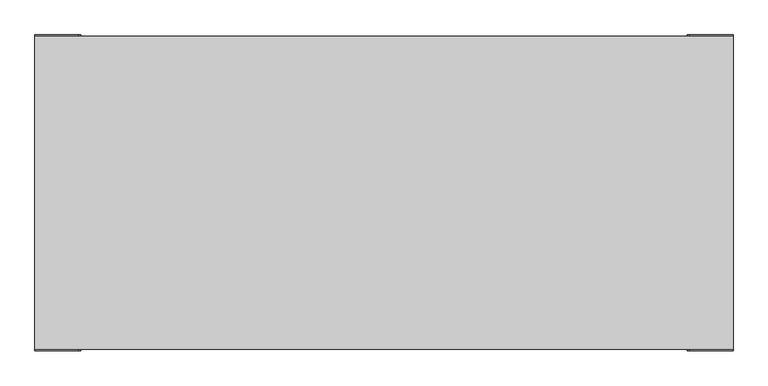
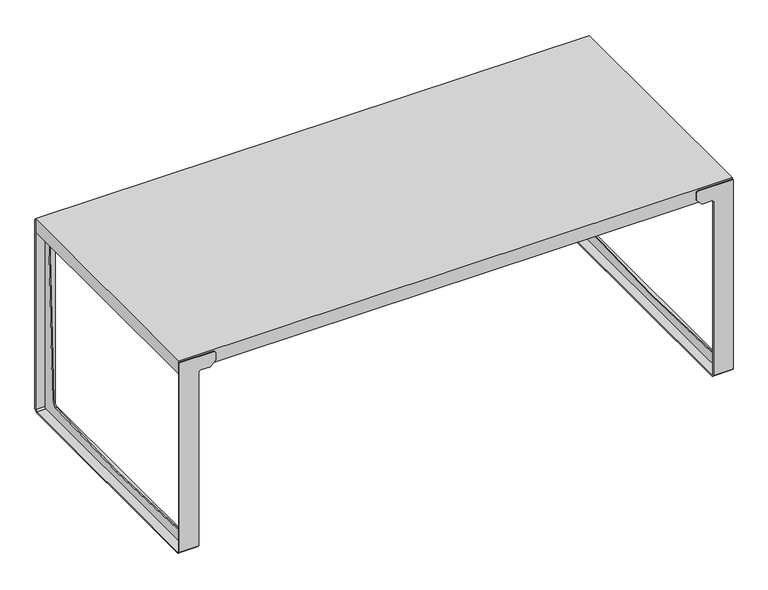
"""IFC4 building model written with IfcOpenShell, lengths in millimetres: furniture geometry."""

from ifc_helpers import new_model, si_unit, frame, origin, place, context, project, spatial, polyline, outline, extrude, faceted_brep, source, transform, mapped, element, save


def furniture_16e18158(model_context):
    return source(origin(), model_context, "Body", "SolidModel", [
        faceted_brep([(925.0002029, -439.9999881, 4.0), (925.0002029, 440.0000084, 4.0), (925.0002029, 446.000008, 9.9999995), (925.0002029, 446.000008, 671.001194), (925.0002029, 450.0000182, 671.0009033), (925.0002029, 450.0000182, 10.000004), (925.0002029, 440.0000141, 0.0), (925.0002029, -439.9999881, 0.0), (925.0002029, -449.9999887, 10.0000005), (925.0002029, -449.9999887, 671.001194), (925.0002029, -445.9999887, 671.0009033), (925.0002029, -445.9999887, 10.0000005), (995.0, -439.9999881, 4.0), (995.0, -445.9999887, 10.0000005), (995.0, -445.9999887, 730.0011901), (995.0, -449.9999887, 730.0011901), (995.0, -449.9999887, 10.0000005), (995.0, -439.9999881, 0.0), (995.0, 440.0000141, 0.0), (995.0, 450.0000182, 10.000004), (995.0, 450.0000182, 730.0011901), (995.0, 446.0000182, 730.0011901), (995.0, 446.000008, 9.9999995), (995.0, 440.0000084, 4.0), (919.9999268, -445.9999887, 676.0011795), (884.9998102, -445.9999887, 676.0011795), (864.9997955, -445.9999887, 696.0011942), (864.9997955, -445.9999887, 725.0009139), (870.0000717, -445.9999887, 730.0011901), (870.0000717, -449.9999887, 730.0011901), (864.9997955, -449.9999887, 725.0009139), (864.9997955, -449.9999887, 696.0011942), (884.9998102, -449.9999887, 676.0011795), (919.9999268, -449.9999887, 676.0011795), (919.9999268, 450.0000182, 676.0011795), (884.9998102, 450.0000182, 676.0011795), (864.9997955, 450.0000182, 696.0011942), (864.9997955, 450.0000182, 725.0009139), (870.0000717, 450.0000182, 730.0011901), (870.0000717, 446.000008, 730.0011901), (864.9997955, 446.000008, 725.0009139), (864.9997955, 446.000008, 696.0011942), (884.9998102, 446.000008, 676.0011795), (919.9999268, 446.000008, 676.0011795)], [[[0, 1, 2, 3, 4, 5, 6, 7, 8, 9, 10, 11]], [[12, 13, 14, 15, 16, 17, 18, 19, 20, 21, 22, 23]], [[0, 11, 13, 12]], [[11, 10, 24, 25, 26, 27, 28, 14, 13]], [[9, 8, 16, 15, 29, 30, 31, 32, 33]], [[8, 7, 17, 16]], [[7, 6, 18, 17]], [[6, 5, 19, 18]], [[5, 4, 34, 35, 36, 37, 38, 20, 19]], [[3, 2, 22, 21, 39, 40, 41, 42, 43]], [[2, 1, 23, 22]], [[1, 0, 12, 23]], [[34, 4, 3, 43]], [[35, 34, 43, 42]], [[36, 35, 42, 41]], [[37, 36, 41, 40]], [[38, 37, 40, 39]], [[20, 38, 39, 21]], [[9, 33, 24, 10]], [[33, 32, 25, 24]], [[32, 31, 26, 25]], [[31, 30, 27, 26]], [[30, 29, 28, 27]], [[29, 15, 14, 28]]]),
        faceted_brep([(-925.0002029, -439.9999881, 4.0), (-925.0002029, -445.9999887, 10.0000005), (-925.0002029, -445.9999887, 671.001194), (-925.0002029, -449.9999887, 671.0009033), (-925.0002029, -449.9999887, 10.0000005), (-925.0002029, -439.9999881, 0.0), (-925.0002029, 440.0000141, 0.0), (-925.0002029, 450.0000182, 10.000004), (-925.0002029, 450.0000182, 671.001194), (-925.0002029, 446.0000182, 671.0009033), (-925.0002029, 446.000008, 9.9999995), (-925.0002029, 440.0000084, 4.0), (-995.0, -439.9999881, 4.0), (-995.0, 440.0000084, 4.0), (-995.0, 446.000008, 9.9999995), (-995.0, 446.0000182, 730.0011901), (-995.0, 450.0000182, 730.0011901), (-995.0, 450.0000182, 10.000004), (-995.0, 440.0000141, 0.0), (-995.0, -439.9999881, 0.0), (-995.0, -449.9999887, 10.0000005), (-995.0, -449.9999887, 730.0011901), (-995.0, -445.9999887, 730.0011901), (-995.0, -445.9999887, 10.0000005), (-870.0000717, -445.9999887, 730.0011901), (-864.9997955, -445.9999887, 725.0009139), (-864.9997955, -445.9999887, 696.0011942), (-884.9998102, -445.9999887, 676.0011795), (-919.9999268, -445.9999887, 676.0011795), (-919.9999268, -449.9999887, 676.0011795), (-884.9998102, -449.9999887, 676.0011795), (-864.9997955, -449.9999887, 696.0011942), (-864.9997955, -449.9999887, 725.0009139), (-870.0000717, -449.9999887, 730.0011901), (-870.0000717, 450.0000182, 730.0011901), (-864.9997955, 450.0000182, 725.0009139), (-864.9997955, 450.0000182, 696.0011942), (-884.9998102, 450.0000182, 676.0011795), (-919.9999268, 450.0000182, 676.0011795), (-919.9999268, 446.000008, 676.0011795), (-884.9998102, 446.000008, 676.0011795), (-864.9997955, 446.000008, 696.0011942), (-864.9997955, 446.000008, 725.0009139), (-870.0000717, 446.000008, 730.0011901)], [[[0, 1, 2, 3, 4, 5, 6, 7, 8, 9, 10, 11]], [[12, 13, 14, 15, 16, 17, 18, 19, 20, 21, 22, 23]], [[1, 0, 12, 23]], [[2, 1, 23, 22, 24, 25, 26, 27, 28]], [[4, 3, 29, 30, 31, 32, 33, 21, 20]], [[5, 4, 20, 19]], [[6, 5, 19, 18]], [[7, 6, 18, 17]], [[8, 7, 17, 16, 34, 35, 36, 37, 38]], [[10, 9, 39, 40, 41, 42, 43, 15, 14]], [[11, 10, 14, 13]], [[0, 11, 13, 12]], [[29, 3, 2, 28]], [[30, 29, 28, 27]], [[31, 30, 27, 26]], [[32, 31, 26, 25]], [[33, 32, 25, 24]], [[21, 33, 24, 22]], [[8, 38, 39, 9]], [[38, 37, 40, 39]], [[37, 36, 41, 40]], [[36, 35, 42, 41]], [[35, 34, 43, 42]], [[34, 16, 15, 43]]]),
        extrude(outline(polyline([(397.3580279, 62.5439658), (420.6318253, 683.0000256), (426.0000296, 689.0000227), (446.000008, 689.0000227), (446.000008, 9.9999995), (440.0000084, 4.0), (0.0, 4.0), (-440.0000084, 4.0), (-446.000008, 9.9999995), (-446.000008, 689.0000227), (-426.0000296, 689.0000227), (-420.6318253, 683.0000256), (-397.3580279, 62.5439658), (-379.0176003, 44.2035382), (0.0, 31.0005469), (379.0176003, 44.2035382), (397.3580279, 62.5439658)])), frame((957.9999329, 0.0, 0.0), z_axis=(1.0, 0.0, 0.0), x_axis=(0.0, 1.0, 0.0)), (0.0, 0.0, 1.0), 3.9997559),
        extrude(outline(polyline([(397.3580279, 62.5439658), (420.6318253, 683.0000256), (426.0000296, 689.0000227), (446.000008, 689.0000227), (446.000008, 9.9999995), (440.0000084, 4.0), (0.0, 4.0), (-440.0000084, 4.0), (-446.000008, 9.9999995), (-446.000008, 689.0000227), (-426.0000296, 689.0000227), (-420.6318253, 683.0000256), (-397.3580279, 62.5439658), (-379.0176003, 44.2035382), (0.0, 31.0005469), (379.0176003, 44.2035382), (397.3580279, 62.5439658)])), frame((-961.9996887, 0.0, 0.0), z_axis=(1.0, 0.0, 0.0), x_axis=(0.0, 1.0, 0.0)), (0.0, 0.0, 1.0), 3.9997559),
        faceted_brep([(-995.0, 446.0000443, 734.9999765), (-995.0, -445.999989, 734.9999765), (995.0, -445.999989, 734.9999765), (995.0, 446.0000443, 734.9999765), (-995.0, 446.0000443, 684.9999762), (995.0, 446.0000443, 684.9999762), (995.0, -445.999989, 684.9999762), (-995.0, -445.999989, 684.9999762), (990.0003052, 440.9999862, 684.9999762), (-989.999762, 440.9999862, 684.9999762), (-989.999762, -440.9999884, 684.9999762), (990.0003052, -440.9999884, 684.9999762), (990.0003052, 440.9999862, 729.999991), (990.0003052, -440.9999884, 729.999991), (-989.999762, -440.9999884, 729.999991), (-989.999762, 440.9999862, 729.999991)], [[[0, 1, 2, 3]], [[4, 5, 6, 7], [8, 9, 10, 11]], [[1, 0, 4, 7]], [[2, 1, 7, 6]], [[3, 2, 6, 5]], [[0, 3, 5, 4]], [[12, 13, 14, 15]], [[12, 15, 9, 8]], [[15, 14, 10, 9]], [[14, 13, 11, 10]], [[13, 12, 8, 11]]]),
    ])


if __name__ == "__main__":
    model = new_model("IFC4")
    model_context = context("Model", 3, world=origin())
    ifc_project = project(units=[si_unit("LENGTHUNIT", "METRE", prefix="MILLI")], contexts=[model_context])
    site = spatial("IfcSite", under=ifc_project)
    building = spatial("IfcBuilding", under=site)
    placement = place(None, origin())
    furniture_shape = furniture_16e18158(model_context)
    element("IfcFurniture", 1, at=placement, inside=building, context=model_context, shape_type="MappedRepresentation", body=[
        mapped(furniture_shape, transform((0.0, 0.0, 0.0), x_axis=(1.0, 0.0, 0.0), y_axis=(0.0, 1.0, 0.0), z_axis=(0.0, 0.0, 1.0))),
    ])
    save(model, "model.ifc")
